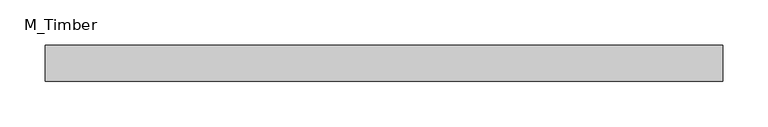
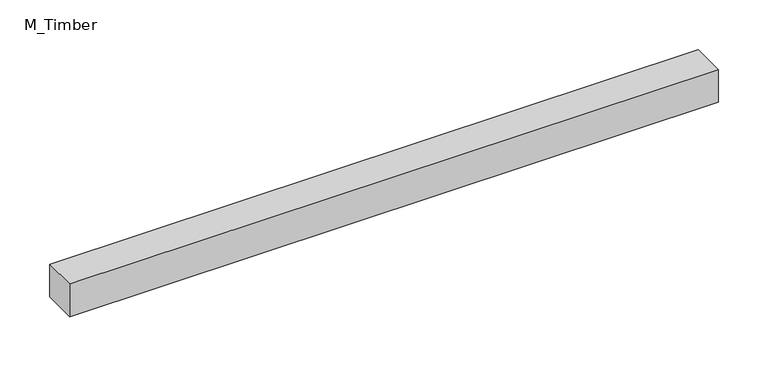
"""IFC4 building model written with IfcOpenShell, lengths in millimetres: beam geometry, M_Timber."""

from ifc_helpers import new_model, si_unit, frame, origin, place, context, project, spatial, polyline, outline, extrude, source, transform, mapped, element, save


def m_timber_5239f64f(model_context):
    return source(origin(), model_context, "Body", "SweptSolid", [
        extrude(outline(polyline([(374.7111725, 20.0), (374.7111725, -20.0), (-374.7111725, -20.0), (-374.7111725, 20.0), (374.7111725, 20.0)])), frame((0.0, 0.0, -20.0), z_axis=(0.0, 0.0, 1.0), x_axis=(1.0, 0.0, 0.0)), (0.0, 0.0, 1.0), 40.0),
    ])


if __name__ == "__main__":
    model = new_model("IFC4")
    model_context = context("Model", 3, world=origin())
    ifc_project = project(units=[si_unit("LENGTHUNIT", "METRE", prefix="MILLI")], contexts=[model_context])
    site = spatial("IfcSite", under=ifc_project)
    building = spatial("IfcBuilding", under=site)
    placement = place(None, origin())
    m_timber_shape = m_timber_5239f64f(model_context)
    element("IfcBeam", 1, ObjectType="M_Timber", at=placement, inside=building, context=model_context, shape_type="MappedRepresentation", body=[
        mapped(m_timber_shape, transform((0.0, 0.0, 0.0), x_axis=(1.0, 0.0, 0.0), y_axis=(0.0, 1.0, 0.0), z_axis=(0.0, 0.0, 1.0))),
    ])
    save(model, "model.ifc")
